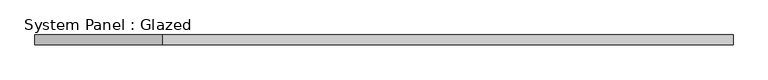
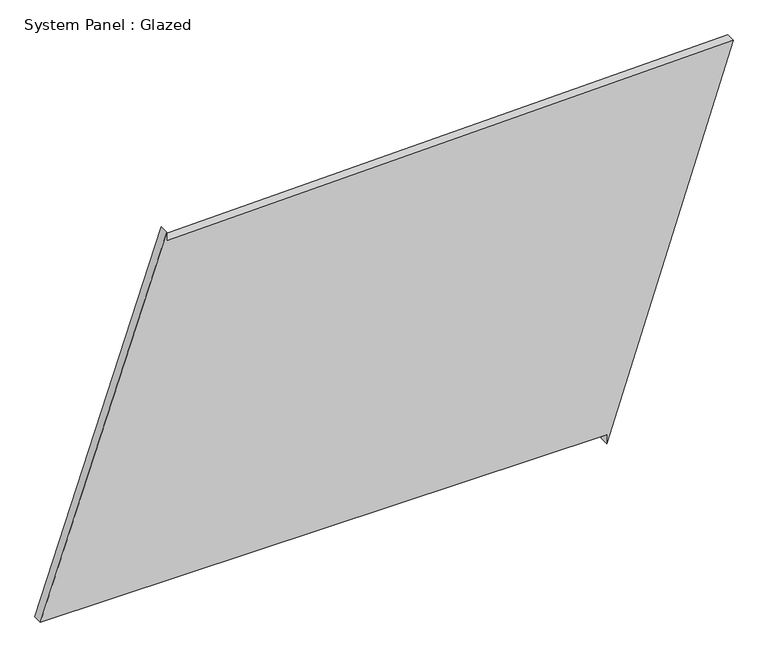
"""IFC4 building model written with IfcOpenShell, lengths in millimetres: plate geometry, System Panel : Glazed."""

from ifc_helpers import new_model, si_unit, frame, origin, place, context, project, spatial, polyline, outline, extrude, source, transform, mapped, element, save


def system_panel_glazed_d066bf25(model_context):
    return source(origin(), model_context, "Body", "SweptSolid", [
        extrude(outline(polyline([(25.0, 574.8966078), (0.0, 574.8966078), (998.8039468, 905.6341923), (962.7450031, -575.16437), (987.7375943, -575.7729649), (25.0, -905.6341923), (25.0, 574.8966078)])), frame((0.0, -49.5, 0.0), z_axis=(0.0, 1.0, 0.0), x_axis=(0.0, 0.0, 1.0)), (0.0, 0.0, 1.0), 25.0),
    ])


if __name__ == "__main__":
    model = new_model("IFC4")
    model_context = context("Model", 3, world=origin())
    ifc_project = project(units=[si_unit("LENGTHUNIT", "METRE", prefix="MILLI")], contexts=[model_context])
    site = spatial("IfcSite", under=ifc_project)
    building = spatial("IfcBuilding", under=site)
    placement = place(None, origin())
    system_panel_glazed_shape = system_panel_glazed_d066bf25(model_context)
    element("IfcPlate", 1, ObjectType="System Panel : Glazed", at=placement, inside=building, context=model_context, shape_type="MappedRepresentation", body=[
        mapped(system_panel_glazed_shape, transform((0.0, 0.0, 0.0), x_axis=(1.0, 0.0, 0.0), y_axis=(0.0, 1.0, 0.0), z_axis=(0.0, 0.0, 1.0))),
    ])
    save(model, "model.ifc")
